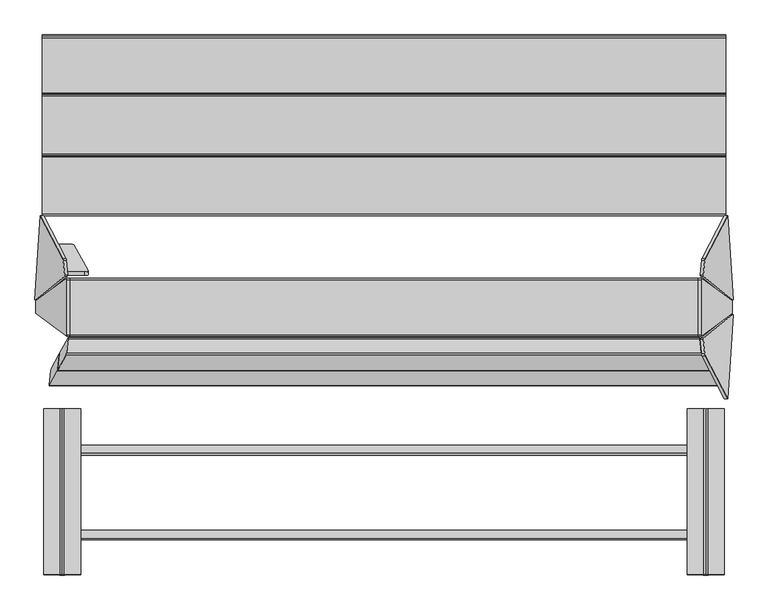
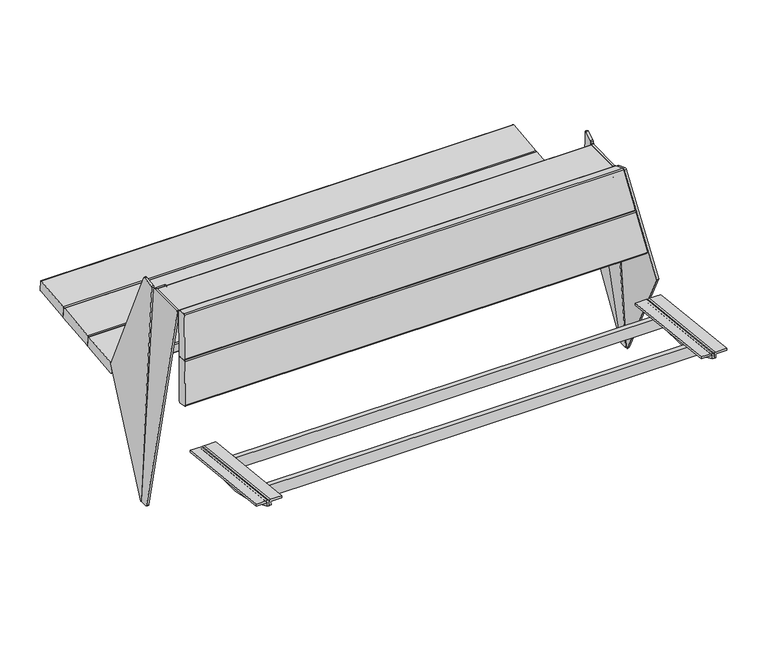
"""IFC4 building model written with IfcOpenShell, lengths in millimetres: furniture geometry."""

from ifc_helpers import new_model, si_unit, point, frame, frame_2d, origin, place, context, project, spatial, polyline, circle_curve, ellipse_curve, trimmed, segment, composite_curve, outline, extrude, source, transform, mapped, element, save
from ifc_brep_helpers import plane_surface, cylinder_surface, revolved_surface, advanced_brep


def furniture_561f28cf(model_context):
    return source(origin(), model_context, "Body", "SolidModel", [
        advanced_brep(
        [(-791.5034385, 505.8544939, 503.3842593), (-783.5721679, 504.0503298, 509.9877088), (-747.4133782, 438.3761853, 749.0639533), (-755.3146024, 435.9391349, 757.8881152), (-800.4996194, 435.8572515, 757.9536062), (-838.1688084, 505.7699279, 503.4518959), (-755.3269352, 444.6628005, 760.2863677), (-747.4257111, 447.0998509, 751.4622058), (-783.5845007, 512.7739954, 512.3859614), (-791.5157714, 514.5781595, 505.7825119), (-839.1302779, 514.4918735, 505.8515241), (-801.461089, 444.5791971, 760.3532344)],
        [
            (0, 1, circle_curve(frame((-791.4884153, 503.7338866, 511.098065), z_axis=(0.0013631459484884367, -0.9642258427672697, -0.26507860338562145), x_axis=(0.14431455675225052, -0.2621142782788856, 0.9541852093968657)), 8.0)),
            (1, 2),
            (2, 3, circle_curve(frame((-755.3296256, 438.0597422, 750.1743095), z_axis=(0.0013631459484884367, -0.9642258427672697, -0.26507860338562145), x_axis=(0.14431455675225052, -0.2621142782788856, 0.9541852093968657)), 8.0)),
            (3, 4),
            (4, 5),
            (5, 0),
            (6, 7, circle_curve(frame((-755.3419585, 446.7834078, 752.572562), z_axis=(-0.0013631459484884367, 0.9642258427672697, 0.26507860338562145), x_axis=(0.14431455675225052, -0.2621142782788856, 0.9541852093968657)), 8.0)),
            (7, 8),
            (8, 9, circle_curve(frame((-791.5007481, 512.4575522, 513.4963176), z_axis=(-0.0013631459484884367, 0.9642258427672697, 0.26507860338562145), x_axis=(0.14431455675225052, -0.2621142782788856, 0.9541852093968657)), 8.0)),
            (9, 10),
            (10, 11),
            (11, 6),
            (2, 7),
            (6, 3),
            (1, 8),
            (0, 9),
            (5, 10),
            (11, 4),
        ],
        [
            plane_surface(frame((-804.3092276, 435.8503478, 757.9591278), z_axis=(0.0013631459484884298, -0.9642258427672699, -0.26507860338562156), x_axis=(-0.9999973076401405, -0.0018121741131798558, 0.001449392098063698))),
            plane_surface(frame((-804.3215604, 444.5740134, 760.3573804), z_axis=(-0.0013631459484884298, 0.9642258427672699, 0.26507860338562156), x_axis=(0.9999973076401405, 0.0018121741131798558, -0.001449392098063698))),
            cylinder_surface(frame((-755.3419585, 446.7834078, 752.572562), z_axis=(0.0013631459484884367, -0.9642258427672697, -0.26507860338562145), x_axis=(0.14431455675225052, -0.2621142782788856, 0.9541852093968657)), 8.0),
            plane_surface(frame((-783.5721679, 504.0503298, 509.9877088), z_axis=(0.9895309245003536, 0.039555394854398455, -0.13879452509154827), x_axis=(-0.001363145948487992, 0.9642258427672696, 0.26507860338562167))),
            cylinder_surface(frame((-791.5007481, 512.4575522, 513.4963176), z_axis=(0.0013631459484884367, -0.9642258427672697, -0.26507860338562145), x_axis=(0.14431455675225052, -0.2621142782788856, 0.9541852093968657)), 8.0),
            plane_surface(frame((-841.9164561, 505.7631365, 503.4573277), z_axis=(-0.001877909900274787, 0.26507591396566216, -0.9642257169821158), x_axis=(-0.001363145948487982, 0.9642258427672702, 0.2650786033856198))),
            plane_surface(frame((-755.3146024, 435.9391349, 757.8881152), z_axis=(0.0018779099002689842, -0.26507591396566405, 0.9642257169821153), x_axis=(-0.001363145948487992, 0.9642258427672696, 0.26507860338562167))),
            plane_surface(frame((-840.9439079, 500.8972591, 471.8505833), z_axis=(-0.9845272064646956, -0.13817840671663228, 0.10776320173452446), x_axis=(-0.10213209083077511, 0.9522059736125491, 0.28787639680792154))),
        ],
        [
            (0, [[1, 2, 3, 4, 5, 6]]),
            (1, [[7, 8, 9, 10, 11, 12]]),
            (2, [[-3, 13, -7, 14]]),
            (3, [[-2, 15, -8, -13]]),
            (4, [[-1, 16, -9, -15]]),
            (5, [[-16, -6, 17, -10]]),
            (6, [[-14, -12, 18, -4]]),
            (7, [[-5, -18, -11, -17]]),
        ],
    ),
        extrude(outline(polyline([(0.0, -19.9999999), (0.0, 0.0), (1612.8148813, 0.0), (1612.8148813, -19.9999999), (0.0, -19.9999999)])), frame((806.271869, 708.9963741, 329.0549245), z_axis=(0.0, -0.10862274800818686, 0.9940830441241566), x_axis=(-1.0, 0.0, 0.0)), (0.0, 0.0, 1.0), 40.0),
        extrude(outline(polyline([(0.0, -20.0), (0.0, 0.0), (1612.8148813, 0.0), (1612.8148813, -20.0), (0.0, -20.0)])), frame((806.271869, 923.2070815, 352.4615763), z_axis=(0.0, -0.10862274800818948, 0.9940830441241564), x_axis=(-1.0, 0.0, 0.0)), (0.0, 0.0, 1.0), 40.0),
        extrude(outline(composite_curve([segment(polyline([(-3.84, -5.1199999), (-115.1413873, 376.4847567), (96.0595646, 774.4166377)]), True, "CONTINUOUS"), segment(trimmed(circle_curve(frame_2d((93.9815819, 771.0019941)), 3.9972244), [point((96.0595646, 774.4166377))], [point((97.9675439, 770.7021422))], False, "CARTESIAN"), True, "CONTINUOUS"), segment(polyline([(97.9675439, 770.7021422), (40.4967742, 6.7372557)]), True, "CONTINUOUS"), segment(trimmed(circle_curve(frame_2d((36.5080446, 7.0373159)), 4.0), [point((40.4967742, 6.7372557))], [point((37.6656025, 3.2084701))], False, "CARTESIAN"), True, "CONTINUOUS"), segment(polyline([(37.6656025, 3.2084701), (1.1575581, -7.8288456)]), True, "CONTINUOUS"), segment(trimmed(circle_curve(frame_2d((0.0, -4.0)), 4.0), [point((1.1575581, -7.8288456))], [point((-3.84, -5.1199999))], False, "CARTESIAN"), True, "CONTINUOUS")], self_intersect=False)), frame((803.7634626, 475.0448681, 781.1798185), z_axis=(0.9845272064646957, -0.1381784067166263, 0.10776320173453155), x_axis=(-0.13791630575299021, -0.9903942324896727, -0.00991750264129495)), (0.0, 0.0, 1.0), 8.0),
        extrude(outline(composite_curve([segment(trimmed(circle_curve(frame_2d((591.2434129, 401.5521593)), 4.0), [point((587.2670028, 401.1183817))], [point((590.8095722, 405.5285625))], False, "CARTESIAN"), True, "CONTINUOUS"), segment(polyline([(590.8095722, 405.5285625), (733.9594647, 421.14676)]), True, "CONTINUOUS"), segment(trimmed(circle_curve(frame_2d((734.3933054, 417.1703568)), 4.0), [point((733.9594647, 421.14676))], [point((738.3697154, 417.6041345))], False, "CARTESIAN"), True, "CONTINUOUS"), segment(polyline([(738.3697154, 417.6041345), (741.8732342, 385.4876153)]), True, "CONTINUOUS"), segment(trimmed(circle_curve(frame_2d((737.8968242, 385.0538377)), 4.0), [point((741.8732342, 385.4876153))], [point((738.3306018, 381.0774276))], False, "CARTESIAN"), True, "CONTINUOUS"), segment(polyline([(738.3306018, 381.0774276), (595.1804616, 365.461501)]), True, "CONTINUOUS"), segment(trimmed(circle_curve(frame_2d((594.7466839, 369.4379111)), 4.0), [point((595.1804616, 365.461501))], [point((590.7702739, 369.0041334))], False, "CARTESIAN"), True, "CONTINUOUS"), segment(polyline([(590.7702739, 369.0041334), (587.2670028, 401.1183817)]), True, "CONTINUOUS")], self_intersect=False)), frame((-862.9554603, 0.0, 0.0), z_axis=(1.0, 0.0, 0.0), x_axis=(0.0, 1.0, 0.0)), (0.0, 0.0, 1.0), 1726.1726268),
        extrude(outline(composite_curve([segment(trimmed(circle_curve(frame_2d((742.3461117, 418.0380383)), 4.0), [point((738.3697017, 417.6042606))], [point((741.912271, 422.0144414))], False, "CARTESIAN"), True, "CONTINUOUS"), segment(polyline([(741.912271, 422.0144414), (888.7305777, 438.0328769)]), True, "CONTINUOUS"), segment(trimmed(circle_curve(frame_2d((889.1644184, 434.0564737)), 4.0), [point((888.7305777, 438.0328769))], [point((893.1408284, 434.4902513))], False, "CARTESIAN"), True, "CONTINUOUS"), segment(polyline([(893.1408284, 434.4902513), (896.6446077, 402.3713448)]), True, "CONTINUOUS"), segment(trimmed(circle_curve(frame_2d((892.6681976, 401.9375672)), 4.0), [point((896.6446077, 402.3713448))], [point((893.1019752, 397.9611571))], False, "CARTESIAN"), True, "CONTINUOUS"), segment(polyline([(893.1019752, 397.9611571), (746.2834145, 381.9450507)]), True, "CONTINUOUS"), segment(trimmed(circle_curve(frame_2d((745.8496369, 385.9214608)), 4.0), [point((746.2834145, 381.9450507))], [point((741.8732268, 385.4876832))], False, "CARTESIAN"), True, "CONTINUOUS"), segment(polyline([(741.8732268, 385.4876832), (738.3697017, 417.6042606)]), True, "CONTINUOUS")], self_intersect=False)), frame((-862.9554603, 0.0, 0.0), z_axis=(1.0, 0.0, 0.0), x_axis=(0.0, 1.0, 0.0)), (0.0, 0.0, 1.0), 1726.1726268),
        extrude(outline(composite_curve([segment(trimmed(circle_curve(frame_2d((897.1172247, 434.9241551)), 4.0), [point((893.1408147, 434.4903775))], [point((896.683384, 438.9005583))], False, "CARTESIAN"), True, "CONTINUOUS"), segment(polyline([(896.683384, 438.9005583), (1035.5545582, 454.0519314)]), True, "CONTINUOUS"), segment(trimmed(circle_curve(frame_2d((1035.9883989, 450.0755282)), 4.0), [point((1035.5545582, 454.0519314))], [point((1039.964809, 450.5093059))], False, "CARTESIAN"), True, "CONTINUOUS"), segment(polyline([(1039.964809, 450.5093059), (1043.4688309, 418.3881751)]), True, "CONTINUOUS"), segment(trimmed(circle_curve(frame_2d((1039.4924208, 417.9543975)), 4.0), [point((1043.4688309, 418.3881751))], [point((1039.9261984, 413.9779874))], False, "CARTESIAN"), True, "CONTINUOUS"), segment(polyline([(1039.9261984, 413.9779874), (901.0547839, 398.8288174)]), True, "CONTINUOUS"), segment(trimmed(circle_curve(frame_2d((900.6210063, 402.8052274)), 4.0), [point((901.0547839, 398.8288174))], [point((896.6445962, 402.3714498))], False, "CARTESIAN"), True, "CONTINUOUS"), segment(polyline([(896.6445962, 402.3714498), (893.1408147, 434.4903775)]), True, "CONTINUOUS")], self_intersect=False)), frame((-862.9554603, 0.0, 0.0), z_axis=(1.0, 0.0, 0.0), x_axis=(0.0, 1.0, 0.0)), (0.0, 0.0, 1.0), 1726.1726268),
        extrude(outline(composite_curve([segment(trimmed(circle_curve(frame_2d((395.5777159, -4.0)), 4.0), [point((395.5777158, 0.0))], [point((399.5775239, -4.0391789))], False, "CARTESIAN"), True, "CONTINUOUS"), segment(polyline([(399.5775239, -4.0391789), (399.2039533, -42.17735)]), True, "CONTINUOUS"), segment(trimmed(circle_curve(frame_2d((395.2041451, -42.1381712)), 4.0), [point((399.2039533, -42.17735))], [point((396.6090472, -45.8833348))], False, "CARTESIAN"), True, "CONTINUOUS"), segment(polyline([(396.6090472, -45.8833348), (-320.7054283, -314.9654419)]), True, "CONTINUOUS"), segment(trimmed(circle_curve(frame_2d((-322.1093555, -311.222877)), 3.9972244), [point((-320.7054283, -314.9654419))], [point((-324.8055782, -314.1738406))], False, "CARTESIAN"), True, "CONTINUOUS"), segment(polyline([(-324.8055782, -314.1738406), (-1.927239, -1e-07), (395.5777158, 0.0)]), True, "CONTINUOUS")], self_intersect=False)), frame((-859.7602023, 586.6358092, 409.8819577), z_axis=(-0.9845272064646957, -0.13817840671662623, 0.10776320173453155), x_axis=(0.14239106626947698, -0.2724160636486588, 0.9515851367653928)), (0.0, 0.0, 1.0), 8.0),
        extrude(outline(composite_curve([segment(polyline([(424.9816611, 730.1429382), (285.9816611, 730.1429382)]), True, "CONTINUOUS"), segment(trimmed(circle_curve(frame_2d((285.9816611, 734.1429382)), 4.0), [point((285.9816611, 730.1429382))], [point((281.9816611, 734.1429382))], False, "CARTESIAN"), True, "CONTINUOUS"), segment(polyline([(281.9816611, 734.1429382), (281.9816611, 766.0)]), True, "CONTINUOUS"), segment(trimmed(circle_curve(frame_2d((285.9816611, 766.0)), 4.0), [point((281.9816611, 766.0))], [point((285.9816611, 770.0))], False, "CARTESIAN"), True, "CONTINUOUS"), segment(polyline([(285.9816611, 770.0), (424.9816611, 770.0)]), True, "CONTINUOUS"), segment(trimmed(circle_curve(frame_2d((424.9816611, 766.0)), 4.0), [point((424.9816611, 770.0))], [point((428.9816611, 766.0))], False, "CARTESIAN"), True, "CONTINUOUS"), segment(polyline([(428.9816611, 766.0), (428.9816611, 734.1429382)]), True, "CONTINUOUS"), segment(trimmed(circle_curve(frame_2d((424.9816611, 734.1429382)), 4.0), [point((428.9816611, 734.1429382))], [point((424.9816611, 730.1429382))], False, "CARTESIAN"), True, "CONTINUOUS")], self_intersect=False)), frame((-796.9703536, 0.0, 0.0), z_axis=(1.0, 0.0, 0.0), x_axis=(0.0, 1.0, 0.0)), (0.0, 0.0, 1.0), 1593.9407071),
        extrude(outline(composite_curve([segment(trimmed(circle_curve(frame_2d((740.9997902, 421.4776321)), 4.0), [point((736.9997902, 421.4776321))], [point((740.9997902, 425.4776321))], False, "CARTESIAN"), True, "CONTINUOUS"), segment(polyline([(740.9997902, 425.4776321), (782.9997902, 425.4776321)]), True, "CONTINUOUS"), segment(trimmed(circle_curve(frame_2d((782.9997902, 421.4776321)), 4.0), [point((782.9997902, 425.4776321))], [point((786.9997902, 421.4776321))], False, "CARTESIAN"), True, "CONTINUOUS"), segment(polyline([(786.9997902, 421.4776321), (786.9997902, 415.4775105), (796.9703536, 415.4775105), (796.9703536, 295.4775105), (786.9997902, 295.4775105), (786.9997902, 289.4776321)]), True, "CONTINUOUS"), segment(trimmed(circle_curve(frame_2d((782.9997902, 289.4776321)), 4.0), [point((786.9997902, 289.4776321))], [point((782.9997902, 285.4776321))], False, "CARTESIAN"), True, "CONTINUOUS"), segment(polyline([(782.9997902, 285.4776321), (740.9997902, 285.4776321)]), True, "CONTINUOUS"), segment(trimmed(circle_curve(frame_2d((740.9997902, 289.4776321)), 4.0), [point((740.9997902, 285.4776321))], [point((736.9997902, 289.4776321))], False, "CARTESIAN"), True, "CONTINUOUS"), segment(polyline([(736.9997902, 289.4776321), (736.9997902, 421.4776321)]), True, "CONTINUOUS")], self_intersect=False)), frame((0.0, 0.0, 720.7455365), z_axis=(0.0, 0.0, 1.0), x_axis=(1.0, 0.0, 0.0)), (0.0, 0.0, 1.0), 10.0),
        extrude(outline(composite_curve([segment(polyline([(-23.01464, 1e-07), (-0.0002806, 0.0)]), True, "CONTINUOUS"), segment(trimmed(circle_curve(frame_2d((-0.0002806, -4.0)), 4.0), [point((-0.0002806, 0.0))], [point((3.9883223, -3.698259))], False, "CARTESIAN"), True, "CONTINUOUS"), segment(polyline([(3.9883223, -3.698259), (61.2945299, -761.2080683)]), True, "CONTINUOUS"), segment(trimmed(circle_curve(frame_2d((57.3337499, -761.5077045)), 3.9720976), [point((61.2945299, -761.2080683))], [point((57.3337499, -765.4798021))], False, "CARTESIAN"), True, "CONTINUOUS"), segment(polyline([(57.3337499, -765.4798021), (-80.9730399, -765.4798021)]), True, "CONTINUOUS"), segment(trimmed(circle_curve(frame_2d((-80.9730399, -761.507273)), 3.9725291), [point((-80.9730399, -765.4798021))], [point((-84.9339897, -761.2041832))], False, "CARTESIAN"), True, "CONTINUOUS"), segment(polyline([(-84.9339897, -761.2041832), (-26.9672373, -3.6617014)]), True, "CONTINUOUS"), segment(trimmed(circle_curve(frame_2d((-23.0146401, -3.9641521)), 3.9641521), [point((-26.9672373, -3.6617014))], [point((-23.01464, 1e-07))], False, "CARTESIAN"), True, "CONTINUOUS")], self_intersect=False)), frame((872.4840901, 344.4207239, 10.5578493), z_axis=(0.9946984865140415, 0.0, 0.10283443453763687), x_axis=(7.696630698853913e-05, -0.9999997199121733, -0.0007444808678950341)), (0.0, 0.0, 1.0), 7.463358),
        extrude(outline(composite_curve([segment(polyline([(-736.9997902, 421.4776321), (-736.9997902, 289.4776321)]), True, "CONTINUOUS"), segment(trimmed(circle_curve(frame_2d((-740.9997902, 289.4776321)), 4.0), [point((-736.9997902, 289.4776321))], [point((-740.9997902, 285.4776321))], False, "CARTESIAN"), True, "CONTINUOUS"), segment(polyline([(-740.9997902, 285.4776321), (-782.9997902, 285.4776321)]), True, "CONTINUOUS"), segment(trimmed(circle_curve(frame_2d((-782.9997902, 289.4776321)), 4.0), [point((-782.9997902, 285.4776321))], [point((-786.9997902, 289.4776321))], False, "CARTESIAN"), True, "CONTINUOUS"), segment(polyline([(-786.9997902, 289.4776321), (-786.9997902, 295.4775105), (-796.9703536, 295.4775105), (-796.9703536, 415.4775105), (-786.9997902, 415.4775105), (-786.9997902, 421.4776321)]), True, "CONTINUOUS"), segment(trimmed(circle_curve(frame_2d((-782.9997902, 421.4776321)), 4.0), [point((-786.9997902, 421.4776321))], [point((-782.9997902, 425.4776321))], False, "CARTESIAN"), True, "CONTINUOUS"), segment(polyline([(-782.9997902, 425.4776321), (-740.9997902, 425.4776321)]), True, "CONTINUOUS"), segment(trimmed(circle_curve(frame_2d((-740.9997902, 421.4776321)), 4.0), [point((-740.9997902, 425.4776321))], [point((-736.9997902, 421.4776321))], False, "CARTESIAN"), True, "CONTINUOUS")], self_intersect=False)), frame((0.0, 0.0, 720.7455365), z_axis=(0.0, 0.0, 1.0), x_axis=(1.0, 0.0, 0.0)), (0.0, 0.0, 1.0), 10.0),
        extrude(outline(composite_curve([segment(trimmed(circle_curve(frame_2d((0.0, -3.9641521)), 3.9641521), [point((3.964151, -3.967119))], [point((0.2994923, -7.9169746))], False, "CARTESIAN"), True, "CONTINUOUS"), segment(polyline([(0.2994923, -7.9169746), (-757.2861625, -65.316729)]), True, "CONTINUOUS"), segment(trimmed(circle_curve(frame_2d((-757.5862876, -61.3555534)), 3.9725291), [point((-757.2861625, -65.316729))], [point((-761.5588156, -61.3525802))], False, "CARTESIAN"), True, "CONTINUOUS"), segment(polyline([(-761.5588156, -61.3525802), (-761.4553001, 76.9541709)]), True, "CONTINUOUS"), segment(trimmed(circle_curve(frame_2d((-757.4832036, 76.951198)), 3.9720976), [point((-761.4553001, 76.9541709))], [point((-757.1806031, 80.9117526))], False, "CARTESIAN"), True, "CONTINUOUS"), segment(polyline([(-757.1806031, 80.9117526), (0.2861033, 23.0386037)]), True, "CONTINUOUS"), segment(trimmed(circle_curve(frame_2d((-0.0186228, 19.0502278)), 4.0), [point((0.2861033, 23.0386037))], [point((3.981376, 19.047234))], False, "CARTESIAN"), True, "CONTINUOUS"), segment(polyline([(3.981376, 19.047234), (3.964151, -3.967119)]), True, "CONTINUOUS")], self_intersect=False)), frame((-872.0746675, 363.4682385, 14.5181182), z_axis=(-0.9946984865140414, 0.0, 0.10283443453763685), x_axis=(-0.10283443453763685, 0.0, -0.9946984865140414)), (0.0, 0.0, 1.0), 7.463358),
        extrude(outline(polyline([(0.0, -19.9999999), (0.0, 0.0), (1612.8148813, 0.0), (1612.8148813, -19.9999999), (0.0, -19.9999999)])), frame((806.271869, -17.9230139, 331.2273795), z_axis=(0.0, 0.10862274800818965, 0.9940830441241564), x_axis=(-1.0, 0.0, 0.0)), (0.0, 0.0, 1.0), 40.0),
        extrude(outline(polyline([(0.0, -20.0), (0.0, 0.0), (1612.8148813, 0.0), (1612.8148813, -20.0), (0.0, -20.0)])), frame((806.271869, -232.1337214, 354.6340312), z_axis=(0.0, 0.10862274800818968, 0.9940830441241564), x_axis=(-1.0, 0.0, 0.0)), (0.0, 0.0, 1.0), 40.0),
        advanced_brep(
        [(766.5577736, -318.9102447, 412.772865), (766.5577736, -319.7193007, 405.3521172), (805.5963377, -319.7193007, 405.3521172), (806.5474184, -319.8223825, 404.4066392), (806.5474184, -321.0984876, 392.7020678), (812.5430123, -321.0984876, 392.7020678), (812.5430123, -319.8564605, 404.0940726), (812.5430123, -319.3437805, 408.7964286), (808.5430123, -318.9102447, 412.772865), (766.5577736, 98.750138, 367.236938), (808.5430123, 98.750138, 367.236938), (812.5430123, 98.3166022, 363.2605016), (812.5430123, 97.8039221, 358.5581456), (812.5430123, 96.5595156, 347.1443157), (806.5474184, 96.5595156, 347.1443157), (806.5474184, 97.8380001, 358.8707122), (805.5963377, 97.941082, 359.8161902), (766.5577736, 97.941082, 359.8161902)],
        [
            (0, 1),
            (1, 2),
            (2, 3, circle_curve(frame((805.5963377, -319.8223825, 404.4066392), z_axis=(0.0, 0.9941091089617909, -0.10838394474826071), x_axis=(0.0, -0.10838394474826071, -0.9941091089617909)), 0.9510807)),
            (3, 4),
            (4, 5),
            (5, 6),
            (6, 7),
            (7, 8, circle_curve(frame((808.5430123, -319.3437805, 408.7964286), z_axis=(0.0, -0.9941091089617909, 0.10838394474826071), x_axis=(0.0, -0.10838394474826071, -0.9941091089617909)), 4.0)),
            (8, 0),
            (9, 10),
            (10, 11, circle_curve(frame((808.5430123, 98.3166022, 363.2605016), z_axis=(0.0, 0.9941091089617909, -0.10838394474826071), x_axis=(0.0, -0.10838394474826071, -0.9941091089617909)), 4.0)),
            (11, 12),
            (12, 13),
            (13, 14),
            (14, 15),
            (15, 16, circle_curve(frame((805.5963377, 97.8380001, 358.8707122), z_axis=(0.0, -0.9941091089617909, 0.10838394474826071), x_axis=(0.0, -0.10838394474826071, -0.9941091089617909)), 0.9510807)),
            (16, 17),
            (17, 9),
            (0, 9),
            (17, 1),
            (16, 2),
            (15, 3),
            (14, 4, circle_curve(frame((806.5474184, -59.7670647, 851.2475639), z_axis=(-1.0, 0.0, 0.0), x_axis=(0.0, -1.0, 0.0)), 527.7860216)),
            (5, 13, circle_curve(frame((812.5430123, -59.7670647, 851.2475639), z_axis=(1.0, 0.0, 0.0), x_axis=(0.0, -1.0, 0.0)), 527.7860216)),
            (12, 6),
            (11, 7),
            (10, 8),
        ],
        [
            plane_surface(frame((766.5577736, -319.8423819, 404.223203), z_axis=(0.0, -0.9941091089617909, 0.10838394474826071), x_axis=(0.0, -0.10838394474826071, -0.9941091089617909))),
            plane_surface(frame((766.5577736, 97.8180007, 358.6872759), z_axis=(0.0, 0.9941091089617909, -0.10838394474826071), x_axis=(0.0, 0.10838394474826071, 0.9941091089617909))),
            plane_surface(frame((766.5577736, -318.9102447, 412.772865), z_axis=(-1.0000000000000002, 0.0, 0.0), x_axis=(0.0, 0.994109108961791, -0.10838394474826066))),
            plane_surface(frame((766.5577736, -319.7193007, 405.3521172), z_axis=(0.0, -0.10838394474826069, -0.994109108961791), x_axis=(0.0, 0.994109108961791, -0.10838394474826069))),
            revolved_surface(polyline([(805.5963377, 97.73491824228601, 357.9252342105562), (805.5963377, -319.92546445485533, 403.46116123677587)]), (805.5963377, 97.8380001, 358.8707122), (0.0, 0.9941091089617909, -0.10838394474826071)),
            plane_surface(frame((806.5474184, -319.8223825, 404.4066392), z_axis=(-1.0000000000000002, 0.0, 0.0), x_axis=(0.0, 0.994109108961791, -0.10838394474826064))),
            plane_surface(frame((812.5430123, -320.2027771, 400.9176199), z_axis=(1.0000000000000002, 0.0, 0.0), x_axis=(0.0, 0.994109108961791, -0.10838394474826066))),
            plane_surface(frame((812.5430123, -319.8564605, 404.0940726), z_axis=(1.0000000000000002, 0.0, 0.0), x_axis=(0.0, 0.994109108961791, -0.10838394474826066))),
            cylinder_surface(frame((808.5430123, 98.3166022, 363.2605016), z_axis=(0.0, -0.9941091089617909, 0.10838394474826071), x_axis=(0.0, -0.10838394474826071, -0.9941091089617909)), 4.0),
            plane_surface(frame((808.5430123, -318.9102447, 412.772865), z_axis=(0.0, 0.10838394474826066, 0.994109108961791), x_axis=(0.0, 0.994109108961791, -0.10838394474826066))),
            cylinder_surface(frame((806.5474184, -59.7670647, 851.2475639), z_axis=(1.0, 0.0, 0.0), x_axis=(0.0, -1.0, 0.0)), 527.7860216),
        ],
        [
            (0, [[1, 2, 3, 4, 5, 6, 7, 8, 9]]),
            (1, [[10, 11, 12, 13, 14, 15, 16, 17, 18]]),
            (2, [[-1, 19, -18, 20]]),
            (3, [[-2, -20, -17, 21]]),
            (4, [[-3, -21, -16, 22]]),
            (5, [[-4, -22, -15, 23]]),
            (6, [[-6, 24, -13, 25]]),
            (7, [[-7, -25, -12, 26]]),
            (8, [[-8, -26, -11, 27]]),
            (9, [[-9, -27, -10, -19]]),
            (10, [[-24, -5, -23, -14]]),
        ],
    ),
        advanced_brep(
        [(813.6175866, 96.5595156, 347.1443157), (813.6175866, -321.0984876, 392.7020678), (813.6175866, -319.360624, 408.6419375), (813.6175866, 98.2997586, 363.1060105), (819.6131806, -321.0984876, 392.7020678), (819.6131806, 96.5595156, 347.1443157), (819.6131806, 97.8380001, 358.8707122), (819.6131806, -319.8223825, 404.4066392), (820.5642613, -319.7193007, 405.3521172), (859.6028254, -319.7193007, 405.3521172), (859.6028254, -318.9270883, 412.6183739), (817.6175866, -318.9270883, 412.6183739), (817.6175866, 98.7332944, 367.0824469), (859.6028254, 98.7332944, 367.0824469), (859.6028254, 97.941082, 359.8161902), (820.5642613, 97.941082, 359.8161902)],
        [
            (0, 1, circle_curve(frame((813.6175866, -59.7670647, 851.2475639), z_axis=(-1.0, 0.0, 0.0), x_axis=(0.0, -1.0, 0.0)), 527.7860216)),
            (1, 2),
            (2, 3),
            (3, 0),
            (4, 5, circle_curve(frame((819.6131806, -59.7670647, 851.2475639), z_axis=(1.0, 0.0, 0.0), x_axis=(0.0, -1.0, 0.0)), 527.7860216)),
            (5, 6),
            (6, 7),
            (7, 4),
            (1, 4),
            (7, 8, circle_curve(frame((820.5642613, -319.8223825, 404.4066392), z_axis=(0.0, 0.9941091089617909, -0.10838394474826071), x_axis=(0.0, -0.10838394474826071, -0.9941091089617909)), 0.9510807)),
            (8, 9),
            (9, 10),
            (10, 11),
            (11, 2, circle_curve(frame((817.6175866, -319.360624, 408.6419375), z_axis=(0.0, -0.9941091089617909, 0.10838394474826071), x_axis=(0.0, -0.10838394474826071, -0.9941091089617909)), 4.0)),
            (0, 5),
            (3, 12, circle_curve(frame((817.6175866, 98.2997586, 363.1060105), z_axis=(0.0, 0.9941091089617909, -0.10838394474826071), x_axis=(0.0, -0.10838394474826071, -0.9941091089617909)), 4.0)),
            (12, 13),
            (13, 14),
            (14, 15),
            (15, 6, circle_curve(frame((820.5642613, 97.8380001, 358.8707122), z_axis=(0.0, -0.9941091089617909, 0.10838394474826071), x_axis=(0.0, -0.10838394474826071, -0.9941091089617909)), 0.9510807)),
            (9, 14),
            (13, 10),
            (8, 15),
            (11, 12),
        ],
        [
            plane_surface(frame((813.6175866, 97.8039221, 358.5581456), z_axis=(-1.0, 0.0, 0.0), x_axis=(0.0, 0.9941091089617913, -0.10838394474825762))),
            plane_surface(frame((819.6131806, 97.8039221, 358.5581456), z_axis=(1.0, 0.0, 0.0), x_axis=(0.0, -0.9941091089617913, 0.10838394474825762))),
            plane_surface(frame((813.6175866, -321.0984876, 392.7020678), z_axis=(0.0, -0.9941091089617909, 0.10838394474826071), x_axis=(1.0, 0.0, 0.0))),
            cylinder_surface(frame((819.6131806, -59.7670647, 851.2475639), z_axis=(-1.0, 0.0, 0.0), x_axis=(0.0, -1.0, 0.0)), 527.7860216),
            plane_surface(frame((813.6175866, 97.8039221, 358.5581456), z_axis=(0.0, 0.9941091089617916, -0.10838394474825458), x_axis=(1.0, 0.0, 0.0))),
            plane_surface(frame((859.6028254, -319.7193007, 405.3521172), z_axis=(1.0000000000000002, 0.0, 0.0), x_axis=(0.0, 0.994109108961791, -0.10838394474826066))),
            plane_surface(frame((820.5642613, -319.7193007, 405.3521172), z_axis=(0.0, -0.10838394474826066, -0.994109108961791), x_axis=(0.0, 0.994109108961791, -0.10838394474826066))),
            revolved_surface(polyline([(820.5642613, 97.73491824228601, 357.9252342105562), (820.5642613, -319.92546445485533, 403.46116123677587)]), (820.5642613, 97.8380001, 358.8707122), (0.0, 0.9941091089617909, -0.10838394474826071)),
            cylinder_surface(frame((817.6175866, 98.2997586, 363.1060105), z_axis=(0.0, -0.9941091089617909, 0.10838394474826071), x_axis=(0.0, -0.10838394474826071, -0.9941091089617909)), 4.0),
            plane_surface(frame((859.6028254, -318.9270883, 412.6183739), z_axis=(0.0, 0.10838394474826066, 0.994109108961791), x_axis=(0.0, 0.994109108961791, -0.10838394474826066))),
        ],
        [
            (0, [[1, 2, 3, 4]]),
            (1, [[5, 6, 7, 8]]),
            (2, [[-2, 9, -8, 10, 11, 12, 13, 14]]),
            (3, [[-1, 15, -5, -9]]),
            (4, [[-6, -15, -4, 16, 17, 18, 19, 20]]),
            (5, [[-12, 21, -18, 22]]),
            (6, [[-11, 23, -19, -21]]),
            (7, [[-10, -7, -20, -23]]),
            (8, [[-14, 24, -16, -3]]),
            (9, [[-13, -22, -17, -24]]),
        ],
    ),
        advanced_brep(
        [(-766.5577736, -318.8898286, 412.9601231), (-808.5430123, -318.8898286, 412.9601231), (-812.5430123, -319.3233644, 408.9836866), (-812.5430123, -319.8564605, 404.0940726), (-812.5430123, -321.0984876, 392.7020678), (-806.5474184, -321.0984876, 392.7020678), (-806.5474184, -319.8223825, 404.4066392), (-805.5963377, -319.7193007, 405.3521172), (-766.5577736, -319.7193007, 405.3521172), (-766.5577736, 98.770554, 367.4241961), (-766.5577736, 97.941082, 359.8161902), (-805.5963377, 97.941082, 359.8161902), (-806.5474184, 97.8380001, 358.8707122), (-806.5474184, 96.5595156, 347.1443157), (-812.5430123, 96.5595156, 347.1443157), (-812.5430123, 97.8039221, 358.5581456), (-812.5430123, 98.3370182, 363.4477596), (-808.5430123, 98.770554, 367.4241961)],
        [
            (0, 1),
            (1, 2, circle_curve(frame((-808.5430123, -319.3233644, 408.9836866), z_axis=(0.0, -0.9941091089617909, 0.10838394474826071), x_axis=(0.0, -0.10838394474826071, -0.9941091089617909)), 4.0)),
            (2, 3),
            (3, 4),
            (4, 5),
            (5, 6),
            (6, 7, circle_curve(frame((-805.5963377, -319.8223825, 404.4066392), z_axis=(0.0, 0.9941091089617909, -0.10838394474826071), x_axis=(0.0, -0.10838394474826071, -0.9941091089617909)), 0.9510807)),
            (7, 8),
            (8, 0),
            (9, 10),
            (10, 11),
            (11, 12, circle_curve(frame((-805.5963377, 97.8380001, 358.8707122), z_axis=(0.0, -0.9941091089617909, 0.10838394474826071), x_axis=(0.0, -0.10838394474826071, -0.9941091089617909)), 0.9510807)),
            (12, 13),
            (13, 14),
            (14, 15),
            (15, 16),
            (16, 17, circle_curve(frame((-808.5430123, 98.3370182, 363.4477596), z_axis=(0.0, 0.9941091089617909, -0.10838394474826071), x_axis=(0.0, -0.10838394474826071, -0.9941091089617909)), 4.0)),
            (17, 9),
            (8, 10),
            (9, 0),
            (7, 11),
            (6, 12),
            (5, 13, circle_curve(frame((-806.5474184, -59.7670647, 851.2475639), z_axis=(1.0, 0.0, 0.0), x_axis=(0.0, -1.0, 0.0)), 527.7860216)),
            (3, 15),
            (14, 4, circle_curve(frame((-812.5430123, -59.7670647, 851.2475639), z_axis=(-1.0, 0.0, 0.0), x_axis=(0.0, -1.0, 0.0)), 527.7860216)),
            (2, 16),
            (1, 17),
        ],
        [
            plane_surface(frame((-812.5430123, -318.8898286, 412.9601231), z_axis=(0.0, -0.9941091089617909, 0.10838394474826071), x_axis=(-1.0, 0.0, 0.0))),
            plane_surface(frame((-812.5430123, 98.770554, 367.4241961), z_axis=(0.0, 0.9941091089617909, -0.10838394474826071), x_axis=(1.0, 0.0, 0.0))),
            plane_surface(frame((-766.5577736, -319.7193007, 405.3521172), z_axis=(1.0000000000000002, 0.0, 0.0), x_axis=(0.0, 0.994109108961791, -0.10838394474826069))),
            plane_surface(frame((-805.5963377, -319.7193007, 405.3521172), z_axis=(0.0, -0.10838394474826069, -0.994109108961791), x_axis=(0.0, 0.994109108961791, -0.10838394474826069))),
            revolved_surface(polyline([(-805.5963377, 97.73491824228601, 357.9252342105562), (-805.5963377, -319.92546445485533, 403.46116123677587)]), (-805.5963377, 97.8380001, 358.8707122), (0.0, 0.9941091089617909, -0.10838394474826071)),
            plane_surface(frame((-806.5474184, -320.2027771, 400.9176199), z_axis=(1.0000000000000002, 0.0, 0.0), x_axis=(0.0, 0.994109108961791, -0.10838394474826066))),
            plane_surface(frame((-812.5430123, -319.8564605, 404.0940726), z_axis=(-1.0000000000000002, 0.0, 0.0), x_axis=(0.0, 0.994109108961791, -0.10838394474826066))),
            plane_surface(frame((-812.5430123, -319.3233644, 408.9836866), z_axis=(-1.0000000000000002, 0.0, 0.0), x_axis=(0.0, 0.994109108961791, -0.10838394474826066))),
            cylinder_surface(frame((-808.5430123, 98.3370182, 363.4477596), z_axis=(0.0, -0.9941091089617909, 0.10838394474826071), x_axis=(0.0, -0.10838394474826071, -0.9941091089617909)), 4.0),
            plane_surface(frame((-766.5577736, -318.8898286, 412.9601231), z_axis=(0.0, 0.10838394474826066, 0.994109108961791), x_axis=(0.0, 0.994109108961791, -0.10838394474826066))),
            cylinder_surface(frame((-806.5474184, -59.7670647, 851.2475639), z_axis=(-1.0, 0.0, 0.0), x_axis=(0.0, -1.0, 0.0)), 527.7860216),
        ],
        [
            (0, [[1, 2, 3, 4, 5, 6, 7, 8, 9]]),
            (1, [[10, 11, 12, 13, 14, 15, 16, 17, 18]]),
            (2, [[-9, 19, -10, 20]]),
            (3, [[-8, 21, -11, -19]]),
            (4, [[-7, 22, -12, -21]]),
            (5, [[-13, -22, -6, 23]]),
            (6, [[-4, 24, -15, 25]]),
            (7, [[-3, 26, -16, -24]]),
            (8, [[-2, 27, -17, -26]]),
            (9, [[-1, -20, -18, -27]]),
            (10, [[-25, -14, -23, -5]]),
        ],
    ),
        advanced_brep(
        [(-813.6175866, -321.0984876, 392.7020678), (-813.6175866, 96.5595156, 347.1443157), (-813.6175866, 98.3286043, 363.3705861), (-813.6175866, -319.3317784, 408.9065131), (-819.6131806, 96.5595156, 347.1443157), (-819.6131806, -321.0984876, 392.7020678), (-819.6131806, -319.8223825, 404.4066392), (-819.6131806, 97.8380001, 358.8707122), (-817.6175866, -318.8982426, 412.8829495), (-859.6028254, -318.8982426, 412.8829495), (-859.6028254, -319.7193007, 405.3521172), (-820.5642613, -319.7193007, 405.3521172), (-820.5642613, 97.941082, 359.8161902), (-859.6028254, 97.941082, 359.8161902), (-859.6028254, 98.76214, 367.3470225), (-817.6175866, 98.76214, 367.3470225)],
        [
            (0, 1, circle_curve(frame((-813.6175866, -59.7670647, 851.2475639), z_axis=(1.0, 0.0, 0.0), x_axis=(0.0, -1.0, 0.0)), 527.7860216)),
            (1, 2),
            (2, 3),
            (3, 0),
            (4, 5, circle_curve(frame((-819.6131806, -59.7670647, 851.2475639), z_axis=(-1.0, 0.0, 0.0), x_axis=(0.0, -1.0, 0.0)), 527.7860216)),
            (5, 6),
            (6, 7),
            (7, 4),
            (5, 0),
            (3, 8, circle_curve(frame((-817.6175866, -319.3317784, 408.9065131), z_axis=(0.0, -0.9941091089617909, 0.10838394474826071), x_axis=(0.0, -0.10838394474826071, -0.9941091089617909)), 4.0)),
            (8, 9),
            (9, 10),
            (10, 11),
            (11, 6, circle_curve(frame((-820.5642613, -319.8223825, 404.4066392), z_axis=(0.0, 0.9941091089617909, -0.10838394474826071), x_axis=(0.0, -0.10838394474826071, -0.9941091089617909)), 0.9510807)),
            (4, 1),
            (7, 12, circle_curve(frame((-820.5642613, 97.8380001, 358.8707122), z_axis=(0.0, -0.9941091089617909, 0.10838394474826071), x_axis=(0.0, -0.10838394474826071, -0.9941091089617909)), 0.9510807)),
            (12, 13),
            (13, 14),
            (14, 15),
            (15, 2, circle_curve(frame((-817.6175866, 98.3286043, 363.3705861), z_axis=(0.0, 0.9941091089617909, -0.10838394474826071), x_axis=(0.0, -0.10838394474826071, -0.9941091089617909)), 4.0)),
            (9, 14),
            (13, 10),
            (12, 11),
            (15, 8),
        ],
        [
            plane_surface(frame((-813.6175866, -319.8564605, 404.0940726), z_axis=(1.0, 0.0, 0.0), x_axis=(0.0, -0.10838394474826071, -0.9941091089617909))),
            plane_surface(frame((-819.6131806, -319.8564605, 404.0940726), z_axis=(-1.0, 0.0, 0.0), x_axis=(0.0, 0.10838394474826071, 0.9941091089617909))),
            plane_surface(frame((-813.6175866, -319.8564605, 404.0940726), z_axis=(0.0, -0.9941091089617909, 0.10838394474826071), x_axis=(-1.0, 0.0, 0.0))),
            cylinder_surface(frame((-819.6131806, -59.7670647, 851.2475639), z_axis=(1.0, 0.0, 0.0), x_axis=(0.0, -1.0, 0.0)), 527.7860216),
            plane_surface(frame((-813.6175866, 96.5595156, 347.1443157), z_axis=(0.0, 0.9941091089617916, -0.10838394474825458), x_axis=(-1.0, 0.0, 0.0))),
            plane_surface(frame((-859.6028254, -318.8982426, 412.8829495), z_axis=(-1.0000000000000002, 0.0, 0.0), x_axis=(0.0, 0.994109108961791, -0.10838394474826066))),
            plane_surface(frame((-859.6028254, -319.7193007, 405.3521172), z_axis=(0.0, -0.10838394474826069, -0.994109108961791), x_axis=(0.0, 0.994109108961791, -0.10838394474826069))),
            revolved_surface(polyline([(-820.5642613, 97.73491824228601, 357.9252342105562), (-820.5642613, -319.92546445485533, 403.46116123677587)]), (-820.5642613, 97.8380001, 358.8707122), (0.0, 0.9941091089617909, -0.10838394474826071)),
            cylinder_surface(frame((-817.6175866, 98.3286043, 363.3705861), z_axis=(0.0, -0.9941091089617909, 0.10838394474826071), x_axis=(0.0, -0.10838394474826071, -0.9941091089617909)), 4.0),
            plane_surface(frame((-817.6175866, -318.8982426, 412.8829495), z_axis=(0.0, 0.10838394474826066, 0.994109108961791), x_axis=(0.0, 0.994109108961791, -0.10838394474826066))),
        ],
        [
            (0, [[1, 2, 3, 4]]),
            (1, [[5, 6, 7, 8]]),
            (2, [[-6, 9, -4, 10, 11, 12, 13, 14]]),
            (3, [[-1, -9, -5, 15]]),
            (4, [[-2, -15, -8, 16, 17, 18, 19, 20]]),
            (5, [[-12, 21, -18, 22]]),
            (6, [[-13, -22, -17, 23]]),
            (7, [[-14, -23, -16, -7]]),
            (8, [[-10, -3, -20, 24]]),
            (9, [[-11, -24, -19, -21]]),
        ],
    ),
        advanced_brep(
        [(811.6158149, 233.1863633, 787.1699382), (868.2169692, 124.8996282, 408.9101314), (882.104729, 336.1005897, 11.2206695), (881.4400564, 337.9713039, 14.8944279), (806.7828016, 277.1577, 774.9426086), (806.7918101, 274.3357333, 778.4787482), (810.6337482, 238.1221055, 789.8133119), (803.7395972, 232.080936, 786.3078325), (802.7575305, 237.0166783, 788.9512062), (798.9155925, 273.230306, 777.6166426), (798.906584, 276.0522727, 774.080503), (873.5638388, 336.8658767, 14.0323223), (874.2285114, 334.9951625, 10.3585639), (860.3407516, 123.794201, 408.0480257), (838.5244284, 204.7361248, 503.5754184), (800.8552394, 274.6488012, 758.0771287), (801.7672166, 266.3758239, 760.3532344), (839.4364056, 196.4631475, 505.8515241), (791.810201, 204.6514703, 503.507711), (783.8789303, 206.4556344, 510.1111606), (747.7201407, 272.1297789, 749.187405), (755.6213648, 274.5668293, 758.0115669), (755.6330628, 266.2922205, 760.2863677), (747.7318387, 263.8551701, 751.4622058), (783.8906283, 198.1810256, 512.3859614), (791.821899, 196.3768615, 505.7825119)],
        [
            (0, 1),
            (1, 2),
            (2, 3, circle_curve(frame((882.0221991, 334.025159, 14.6358678), z_axis=(0.9845272064646956, 0.1381784067166262, 0.10776320173453151), x_axis=(0.10809843818608315, 0.005098251508800459, -0.9941271224009949)), 3.9972244)),
            (3, 4),
            (4, 5, circle_curve(frame((807.3653485, 273.2088149, 774.683869), z_axis=(0.9845272064646956, 0.1381784067166262, 0.10776320173453151), x_axis=(0.10809843818608315, 0.005098251508800459, -0.9941271224009949)), 4.0)),
            (5, 6),
            (6, 0, circle_curve(frame((811.2072865, 236.9951872, 786.0184326), z_axis=(0.9845272064646956, 0.1381784067166262, 0.10776320173453151), x_axis=(0.10809843818608315, 0.005098251508800459, -0.9941271224009949)), 4.0)),
            (7, 8, circle_curve(frame((803.3310689, 235.8897599, 785.156327), z_axis=(-0.9845272064646956, -0.1381784067166262, -0.10776320173453151), x_axis=(0.10809843818608315, 0.005098251508800459, -0.9941271224009949)), 4.0)),
            (8, 9),
            (9, 10, circle_curve(frame((799.4891308, 272.1033877, 773.8217633), z_axis=(-0.9845272064646956, -0.1381784067166262, -0.10776320173453151), x_axis=(0.10809843818608315, 0.005098251508800459, -0.9941271224009949)), 4.0)),
            (10, 11),
            (11, 12, circle_curve(frame((874.1459814, 332.9197317, 13.7737622), z_axis=(-0.9845272064646956, -0.1381784067166262, -0.10776320173453151), x_axis=(0.10809843818608315, 0.005098251508800459, -0.9941271224009949)), 3.9972244)),
            (12, 13),
            (13, 7),
            (14, 15),
            (15, 16),
            (16, 17),
            (17, 14),
            (6, 8),
            (7, 0),
            (5, 9),
            (4, 10),
            (3, 11),
            (2, 12),
            (1, 13),
            (18, 19, circle_curve(frame((791.7951777, 206.7720776, 511.2215168), z_axis=(-0.0013631459484884367, 0.9642258427672697, -0.26507860338562145), x_axis=(-0.14431455675225052, 0.2621142782788856, 0.9541852093968657)), 8.0)),
            (19, 20),
            (20, 21, circle_curve(frame((755.6363881, 272.446222, 750.2977612), z_axis=(-0.0013631459484884367, 0.9642258427672697, -0.26507860338562145), x_axis=(-0.14431455675225052, 0.2621142782788856, 0.9541852093968657)), 8.0)),
            (21, 15),
            (14, 18),
            (22, 23, circle_curve(frame((755.6480861, 264.1716132, 752.572562), z_axis=(0.0013631459484884367, -0.9642258427672697, 0.26507860338562145), x_axis=(-0.14431455675225052, 0.2621142782788856, 0.9541852093968657)), 8.0)),
            (23, 24),
            (24, 25, circle_curve(frame((791.8068757, 198.4974688, 513.4963176), z_axis=(0.0013631459484884367, -0.9642258427672697, 0.26507860338562145), x_axis=(-0.14431455675225052, 0.2621142782788856, 0.9541852093968657)), 8.0)),
            (25, 17),
            (16, 22),
            (20, 23),
            (22, 21),
            (19, 24),
            (18, 25),
        ],
        [
            plane_surface(frame((867.9425476, 125.4246391, 410.7440634), z_axis=(0.9845272064646957, 0.13817840671662623, 0.10776320173453155), x_axis=(0.14239106626947698, -0.2724160636486588, -0.9515851367653928))),
            plane_surface(frame((860.06633, 124.3192118, 409.8819577), z_axis=(-0.9845272064646957, -0.13817840671662623, -0.10776320173453155), x_axis=(-0.14239106626947698, 0.2724160636486588, 0.9515851367653928))),
            cylinder_surface(frame((803.3310689, 235.8897599, 785.156327), z_axis=(0.9845272064646956, 0.1381784067166262, 0.10776320173453151), x_axis=(0.10809843818608315, 0.005098251508800459, -0.9941271224009949)), 4.0),
            plane_surface(frame((806.7918101, 274.3357333, 778.4787482), z_axis=(-0.14338459124458663, 0.28172958840366497, 0.9487198206064447), x_axis=(-0.9845272064646949, -0.13817840671662657, -0.10776320173453655))),
            cylinder_surface(frame((799.4891308, 272.1033877, 773.8217633), z_axis=(0.9845272064646956, 0.1381784067166262, 0.10776320173453151), x_axis=(0.10809843818608315, 0.005098251508800459, -0.9941271224009949)), 4.0),
            plane_surface(frame((881.4400564, 337.9713039, 14.8944279), z_axis=(-0.14563671969423442, 0.9872212562883779, 0.06468490557386725), x_axis=(-0.9845272064646956, -0.13817840671662243, -0.10776320173453661))),
            cylinder_surface(frame((874.1459814, 332.9197317, 13.7737622), z_axis=(0.9845272064646956, 0.1381784067166262, 0.10776320173453151), x_axis=(0.10809843818608315, 0.005098251508800459, -0.9941271224009949)), 3.9972244),
            plane_surface(frame((868.2169692, 124.8996282, 408.9101314), z_axis=(0.17249891043919782, -0.8724250405319156, -0.4572949535586142), x_axis=(-0.9845272064646959, -0.1381784067166267, -0.10776320173452819))),
            plane_surface(frame((811.6158149, 233.1863633, 787.1699382), z_axis=(0.10213209083077515, -0.9522059736125492, 0.28787639680792154), x_axis=(-0.9845272064646963, -0.13817840671663098, -0.10776320173451977))),
            plane_surface(frame((804.61599, 274.6556164, 758.0825795), z_axis=(-0.00136314594848843, 0.9642258427672699, -0.26507860338562156), x_axis=(0.9999973076401405, 0.0018121741131798574, 0.001449392098063703))),
            plane_surface(frame((804.627688, 266.3810076, 760.3573804), z_axis=(0.00136314594848843, -0.9642258427672699, 0.26507860338562156), x_axis=(-0.9999973076401405, -0.0018121741131798574, -0.001449392098063703))),
            cylinder_surface(frame((755.6480861, 264.1716132, 752.572562), z_axis=(-0.0013631459484884367, 0.9642258427672697, -0.26507860338562145), x_axis=(-0.14431455675225052, 0.2621142782788856, 0.9541852093968657)), 8.0),
            plane_surface(frame((783.8789303, 206.4556344, 510.1111606), z_axis=(-0.9895309245003535, -0.03955539485440417, -0.13879452509154666), x_axis=(0.001363145948494428, -0.9642258427672704, 0.2650786033856188))),
            cylinder_surface(frame((791.8068757, 198.4974688, 513.4963176), z_axis=(-0.0013631459484884367, 0.9642258427672697, -0.26507860338562145), x_axis=(-0.14431455675225052, 0.2621142782788856, 0.9541852093968657)), 8.0),
            plane_surface(frame((842.2232186, 204.7428277, 503.5807795), z_axis=(0.0018779099002744347, -0.2650759139656611, -0.964225716982116), x_axis=(0.001363145948494428, -0.9642258427672704, 0.2650786033856188))),
            plane_surface(frame((755.6213648, 274.5668293, 758.0115669), z_axis=(-0.0018779099002689853, 0.26507591396566116, 0.9642257169821161), x_axis=(0.001363145948494428, -0.9642258427672704, 0.2650786033856188))),
        ],
        [
            (0, [[1, 2, 3, 4, 5, 6, 7]]),
            (1, [[8, 9, 10, 11, 12, 13, 14], [15, 16, 17, 18]]),
            (2, [[-7, 19, -8, 20]]),
            (3, [[-6, 21, -9, -19]]),
            (4, [[-5, 22, -10, -21]]),
            (5, [[-4, 23, -11, -22]]),
            (6, [[-3, 24, -12, -23]]),
            (7, [[-2, 25, -13, -24]]),
            (8, [[-1, -20, -14, -25]]),
            (9, [[26, 27, 28, 29, -15, 30]]),
            (10, [[31, 32, 33, 34, -17, 35]]),
            (11, [[-28, 36, -31, 37]]),
            (12, [[-27, 38, -32, -36]]),
            (13, [[-26, 39, -33, -38]]),
            (14, [[-39, -30, -18, -34]]),
            (15, [[-37, -35, -16, -29]]),
        ],
    ),
        advanced_brep(
        [(821.0571971, 196.8039984, 647.4081683), (821.0571971, 199.6015159, 642.4914963), (821.0571971, 226.6466791, 635.0618507), (821.0571971, 202.069438, 666.5757995), (-819.79902, 235.2796318, 632.6902703), (-818.8027505, 240.1963396, 635.4878082), (819.1088781, 240.1963396, 635.4878082), (820.1051477, 235.2796318, 632.6902703), (-798.1878321, 278.4569523, 774.7668691), (798.4939597, 278.4569523, 774.7668691), (-798.0423005, 275.659435, 779.6835409), (798.3484281, 275.659435, 779.6835409), (-801.9769125, 239.9813274, 789.4847667), (802.2830401, 239.9813274, 789.4847667), (-802.973182, 235.0646195, 786.687229), (803.2793097, 235.0646195, 786.687229), (-823.5881016, 196.8039984, 647.4081683), (-823.7336332, 199.6015159, 642.4914963)],
        [
            (0, 1, circle_curve(frame((821.0571971, 200.661111, 646.3486012), z_axis=(1.0, 0.0, 0.0), x_axis=(0.0, -1.0, 0.0)), 4.0)),
            (1, 2),
            (2, 3),
            (3, 0),
            (4, 5, ellipse_curve(frame((-819.2281195, 236.3392269, 636.5473752), z_axis=(0.9845272064646965, -0.13817840671662354, -0.10776320173452703), x_axis=(0.17523178858535002, 0.776345444263947, 0.6054598016712538)), 4.0628639, 4.0)),
            (5, 6),
            (6, 7, ellipse_curve(frame((819.5342471, 236.3392269, 636.5473752), z_axis=(-0.9845272064646966, -0.13817840671662354, -0.10776320173452685), x_axis=(0.17523178858534888, -0.7763454442639476, -0.6054598016712532)), 4.0628639, 4.0)),
            (7, 4),
            (5, 8),
            (8, 9),
            (9, 6),
            (8, 10, ellipse_curve(frame((-798.613201, 274.5998397, 775.8264361), z_axis=(0.9845272064646965, -0.13817840671662354, -0.10776320173452703), x_axis=(0.17523178858535002, 0.776345444263947, 0.6054598016712538)), 4.0628639, 4.0)),
            (10, 11),
            (11, 9, ellipse_curve(frame((798.9193287, 274.5998397, 775.8264361), z_axis=(-0.9845272064646966, -0.13817840671662354, -0.10776320173452685), x_axis=(0.17523178858534888, -0.7763454442639476, -0.6054598016712532)), 4.0628639, 4.0)),
            (10, 12),
            (12, 13),
            (13, 11),
            (12, 14, ellipse_curve(frame((-802.5478131, 238.921732, 785.6276619), z_axis=(0.9845272064646965, -0.13817840671662354, -0.10776320173452703), x_axis=(0.17523178858535002, 0.776345444263947, 0.6054598016712538)), 4.0628639, 4.0)),
            (14, 15),
            (15, 13, ellipse_curve(frame((802.8539407, 238.921732, 785.6276619), z_axis=(-0.9845272064646966, -0.13817840671662354, -0.10776320173452685), x_axis=(0.17523178858534888, -0.7763454442639476, -0.6054598016712532)), 4.0628639, 4.0)),
            (16, 0),
            (3, 15),
            (14, 16),
            (16, 17, ellipse_curve(frame((-823.1627326, 200.661111, 646.3486012), z_axis=(0.9845272064646965, -0.13817840671662354, -0.10776320173452703), x_axis=(0.17523178858535002, 0.776345444263947, 0.6054598016712538)), 4.0628639, 4.0)),
            (17, 1),
            (17, 4),
            (7, 2),
        ],
        [
            plane_surface(frame((821.0571971, 232.3392269, 636.5473752), z_axis=(1.0, 0.0, 0.0), x_axis=(0.0, 0.0, -1.0))),
            cylinder_surface(frame((-826.6787284, 236.3392269, 636.5473752), z_axis=(1.0, 0.0, 0.0), x_axis=(0.0, -1.0, 0.0)), 4.0),
            plane_surface(frame((821.0571971, 240.1963396, 635.4878082), z_axis=(0.0, 0.9642781573688652, -0.2648917424558682), x_axis=(-1.0, 0.0, 0.0))),
            cylinder_surface(frame((-826.6787284, 274.5998397, 775.8264361), z_axis=(1.0, 0.0, 0.0), x_axis=(0.0, -1.0, 0.0)), 4.0),
            plane_surface(frame((821.0571971, 275.659435, 779.6835409), z_axis=(0.0, 0.26489882655000385, 0.9642762113069216), x_axis=(-1.0, 0.0, 0.0))),
            cylinder_surface(frame((-826.6787284, 238.921732, 785.6276619), z_axis=(1.0, 0.0, 0.0), x_axis=(0.0, -1.0, 0.0)), 4.0),
            plane_surface(frame((821.0571971, 235.0646195, 786.687229), z_axis=(0.0, -0.9642781425237718, 0.2648917964960496), x_axis=(-1.0, 0.0, 0.0))),
            cylinder_surface(frame((-826.6787284, 200.661111, 646.3486012), z_axis=(1.0, 0.0, 0.0), x_axis=(0.0, -1.0, 0.0)), 4.0),
            plane_surface(frame((821.0571971, 199.6015159, 642.4914963), z_axis=(0.0, -0.26489877507604603, -0.964276225447465), x_axis=(-1.0, 0.0, 0.0))),
            plane_surface(frame((-793.2522903, 301.2991797, 790.568855), z_axis=(-0.9845272064646965, 0.13817840671662354, 0.10776320173452703), x_axis=(-0.1021320908307662, -0.9522059736125505, 0.28787639680791977))),
            plane_surface(frame((841.2406356, 210.0994077, 471.8830622), z_axis=(0.9845272064646966, 0.13817840671662354, 0.10776320173452685), x_axis=(0.10213209083076616, -0.9522059736125503, 0.28787639680792054))),
        ],
        [
            (0, [[1, 2, 3, 4]]),
            (1, [[5, 6, 7, 8]]),
            (2, [[9, 10, 11, -6]]),
            (3, [[12, 13, 14, -10]]),
            (4, [[15, 16, 17, -13]]),
            (5, [[18, 19, 20, -16]]),
            (6, [[21, -4, 22, -19, 23]]),
            (7, [[-1, -21, 24, 25]]),
            (8, [[-25, 26, -8, 27, -2]]),
            (9, [[-5, -26, -24, -23, -18, -15, -12, -9]]),
            (10, [[-3, -27, -7, -11, -14, -17, -20, -22]]),
        ],
    ),
        advanced_brep(
        [(845.3239935, 156.6568701, 501.2614604), (845.3239935, 159.4543876, 496.3447884), (845.3239935, 162.6024309, 495.4799814), (845.3239935, 157.0311024, 502.6237678), (-841.4304217, 195.1325032, 486.5435624), (-840.4341521, 200.049211, 489.3411004), (840.7402797, 200.049211, 489.3411004), (841.7365493, 195.1325032, 486.5435624), (-819.9445395, 238.0772602, 627.7735669), (820.2506671, 238.0772602, 627.7735669), (-819.7990079, 235.2797429, 632.6902387), (820.1051355, 235.2797429, 632.6902387), (-823.7336199, 199.6016355, 642.4914644), (824.0397475, 199.6016355, 642.4914644), (-824.7298895, 194.6849277, 639.6939268), (825.0360171, 194.6849277, 639.6939268), (-845.2195032, 156.6568701, 501.2614604), (-845.3650348, 159.4543876, 496.3447884)],
        [
            (0, 1, circle_curve(frame((845.3239935, 160.5139827, 500.2018933), z_axis=(1.0, 0.0, 0.0), x_axis=(0.0, -1.0, 0.0)), 4.0)),
            (1, 2),
            (2, 3),
            (3, 0),
            (4, 5, ellipse_curve(frame((-840.8595211, 196.1920983, 490.4006673), z_axis=(0.9845272064646965, -0.13817840671662354, -0.10776320173452703), x_axis=(0.17523178858535002, 0.776345444263947, 0.6054598016712538)), 4.0628639, 4.0)),
            (5, 6),
            (6, 7, ellipse_curve(frame((841.1656487, 196.1920983, 490.4006673), z_axis=(-0.9845272064646966, -0.13817840671662354, -0.10776320173452685), x_axis=(0.17523178858534888, -0.7763454442639476, -0.6054598016712532)), 4.0628639, 4.0)),
            (7, 4),
            (5, 8),
            (8, 9),
            (9, 6),
            (8, 10, ellipse_curve(frame((-820.3699085, 234.2201476, 628.8331339), z_axis=(0.9845272064646965, -0.13817840671662354, -0.10776320173452703), x_axis=(0.17523178858535002, 0.776345444263947, 0.6054598016712538)), 4.0628639, 4.0)),
            (10, 11),
            (11, 9, ellipse_curve(frame((820.6760361, 234.2201476, 628.8331339), z_axis=(-0.9845272064646966, -0.13817840671662354, -0.10776320173452685), x_axis=(0.17523178858534888, -0.7763454442639476, -0.6054598016712532)), 4.0628639, 4.0)),
            (10, 12),
            (12, 13),
            (13, 11),
            (12, 14, ellipse_curve(frame((-824.3045205, 198.5420402, 638.6343596), z_axis=(0.9845272064646965, -0.13817840671662354, -0.10776320173452703), x_axis=(0.17523178858535002, 0.776345444263947, 0.6054598016712538)), 4.0628639, 4.0)),
            (14, 15),
            (15, 13, ellipse_curve(frame((824.6106481, 198.5420402, 638.6343596), z_axis=(-0.9845272064646966, -0.13817840671662354, -0.10776320173452685), x_axis=(0.17523178858534888, -0.7763454442639476, -0.6054598016712532)), 4.0628639, 4.0)),
            (16, 0),
            (3, 15),
            (14, 16),
            (16, 17, ellipse_curve(frame((-844.7941343, 160.5139827, 500.2018933), z_axis=(0.9845272064646965, -0.13817840671662354, -0.10776320173452703), x_axis=(0.17523178858535002, 0.776345444263947, 0.6054598016712538)), 4.0628639, 4.0)),
            (17, 1),
            (17, 4),
            (7, 2),
        ],
        [
            plane_surface(frame((845.3239935, 192.1920983, 490.4006673), z_axis=(1.0, 0.0, 0.0), x_axis=(0.0, 0.0, -1.0))),
            cylinder_surface(frame((-849.4957131, 196.1920983, 490.4006673), z_axis=(1.0, 0.0, 0.0), x_axis=(0.0, -1.0, 0.0)), 4.0),
            plane_surface(frame((845.3239935, 200.049211, 489.3411004), z_axis=(0.0, 0.9642781573688651, -0.26489174245586855), x_axis=(-1.0, 0.0, 0.0))),
            cylinder_surface(frame((-849.4957131, 234.2201476, 628.8331339), z_axis=(1.0, 0.0, 0.0), x_axis=(0.0, -1.0, 0.0)), 4.0),
            plane_surface(frame((845.3239935, 235.2797429, 632.6902387), z_axis=(0.0, 0.26489882655000657, 0.9642762113069209), x_axis=(-1.0, 0.0, 0.0))),
            cylinder_surface(frame((-849.4957131, 198.5420402, 638.6343596), z_axis=(1.0, 0.0, 0.0), x_axis=(0.0, -1.0, 0.0)), 4.0),
            plane_surface(frame((845.3239935, 194.6849277, 639.6939268), z_axis=(0.0, -0.9642781425237719, 0.2648917964960493), x_axis=(-1.0, 0.0, 0.0))),
            cylinder_surface(frame((-849.4957131, 160.5139827, 500.2018933), z_axis=(1.0, 0.0, 0.0), x_axis=(0.0, -1.0, 0.0)), 4.0),
            plane_surface(frame((845.3239935, 159.4543876, 496.3447884), z_axis=(0.0, -0.2648987750760446, -0.9642762254474654), x_axis=(-1.0, 0.0, 0.0))),
            plane_surface(frame((-793.2522903, 301.2991797, 790.568855), z_axis=(-0.9845272064646965, 0.13817840671662354, 0.10776320173452703), x_axis=(-0.1021320908307662, -0.9522059736125505, 0.28787639680791977))),
            plane_surface(frame((841.2406356, 210.0994077, 471.8830622), z_axis=(0.9845272064646966, 0.13817840671662354, 0.10776320173452685), x_axis=(0.10213209083076616, -0.9522059736125503, 0.28787639680792054))),
        ],
        [
            (0, [[1, 2, 3, 4]]),
            (1, [[5, 6, 7, 8]]),
            (2, [[9, 10, 11, -6]]),
            (3, [[12, 13, 14, -10]]),
            (4, [[15, 16, 17, -13]]),
            (5, [[18, 19, 20, -16]]),
            (6, [[21, -4, 22, -19, 23]]),
            (7, [[-1, -21, 24, 25]]),
            (8, [[-25, 26, -8, 27, -2]]),
            (9, [[-5, -26, -24, -23, -18, -15, -12, -9]]),
            (10, [[-3, -27, -7, -11, -14, -17, -20, -22]]),
        ],
    ),
    ])


if __name__ == "__main__":
    model = new_model("IFC4")
    model_context = context("Model", 3, world=origin())
    ifc_project = project(units=[si_unit("LENGTHUNIT", "METRE", prefix="MILLI")], contexts=[model_context])
    site = spatial("IfcSite", under=ifc_project)
    building = spatial("IfcBuilding", under=site)
    placement = place(None, origin())
    furniture_shape = furniture_561f28cf(model_context)
    element("IfcFurniture", 1, at=placement, inside=building, context=model_context, shape_type="MappedRepresentation", body=[
        mapped(furniture_shape, transform((0.0, 0.0, 0.0), x_axis=(1.0, 0.0, 0.0), y_axis=(0.0, 1.0, 0.0), z_axis=(0.0, 0.0, 1.0))),
    ])
    save(model, "model.ifc")
